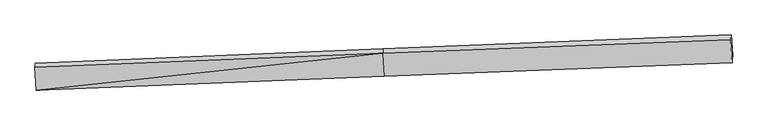
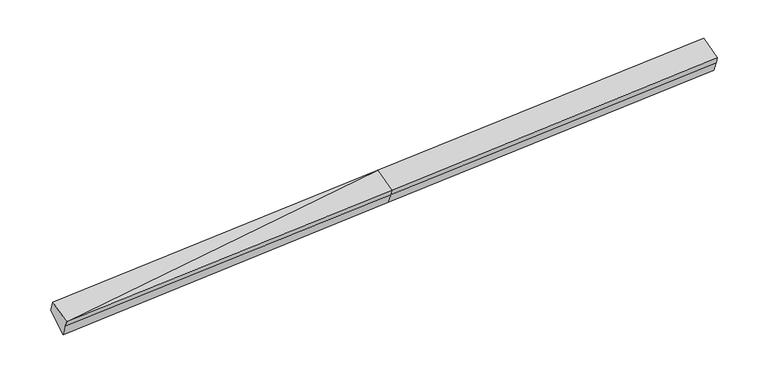
"""IFC4 building model written with IfcOpenShell, lengths in millimetres: proxy geometry."""

import ifcopenshell
import ifcopenshell.guid

model = None  # the IFC model being written
_history = None  # IfcOwnerHistory: only IFC2X3 demands one
_inside = {}  # id of a spatial element -> (the spatial element, [elements in it])
_under = {}  # id of a project, library or spatial element -> (it, [spatial elements below it])
_declared = {}  # id of a project -> (the project, [libraries it declares])
_typed = {}  # id of a type object -> (the type object, [elements of that type])
_made_of = {}  # id of a material, layer set ... -> (it, [elements and type objects made of it])


def new_model(schema):
    """Start an empty IFC model of exactly this schema.

    Asked for "IFC4X3", IfcOpenShell would pick the latest addendum, in which some entities
    have other attributes; the version numbers below select the first issue.
    IFC2X3 requires an IfcOwnerHistory on every rooted entity: one is made here for all.
    """
    global model, _history
    if schema == "IFC4X3":
        model = ifcopenshell.file(schema_version=(4, 3, 0, 0))
    else:
        model = ifcopenshell.file(schema=schema)
    _inside.clear()
    _under.clear()
    _declared.clear()
    _typed.clear()
    _made_of.clear()
    _history = None
    if model.schema == "IFC2X3":
        org = make("IfcOrganization", Name="unknown")
        user = make(
            "IfcPersonAndOrganization",
            ThePerson=make("IfcPerson", FamilyName="unknown"),
            TheOrganization=org,
        )
        app = make(
            "IfcApplication",
            ApplicationDeveloper=org,
            Version="unknown",
            ApplicationFullName="unknown",
            ApplicationIdentifier="unknown",
        )
        _history = make(
            "IfcOwnerHistory",
            OwningUser=user,
            OwningApplication=app,
            ChangeAction="ADDED",
            CreationDate=0,
        )
    return model


def make(cls, **values):
    """One entity of the class cls with the attributes given. An attribute that is None is left unset."""
    return model.create_entity(
        cls, **{name: value for name, value in values.items() if value is not None}
    )


def rooted(cls, **values):
    """An entity with a GlobalId (a new one), such as an element, a storey or a relation."""
    return make(cls, GlobalId=ifcopenshell.guid.new(), OwnerHistory=_history, **values)


def si_unit(unit_type, name, prefix=None):
    """IfcSIUnit, for example si_unit("LENGTHUNIT", "METRE", prefix="MILLI")."""
    return make("IfcSIUnit", UnitType=unit_type, Prefix=prefix, Name=name)


def assignment(units):
    """IfcUnitAssignment: the units of a project."""
    return None if units is None else make("IfcUnitAssignment", Units=units)


def point(xyz):
    """IfcCartesianPoint."""
    return None if xyz is None else make("IfcCartesianPoint", Coordinates=xyz)


def direction(xyz):
    """IfcDirection."""
    return None if xyz is None else make("IfcDirection", DirectionRatios=xyz)


def frame(location, z_axis=None, x_axis=None):
    """IfcAxis2Placement3D, a coordinate frame: its origin and axes. An axis left out is left unset."""
    return make(
        "IfcAxis2Placement3D",
        Location=point(location),
        Axis=direction(z_axis),
        RefDirection=direction(x_axis),
    )


def origin():
    """The frame at (0, 0, 0) with its axes left unset."""
    return frame((0.0, 0.0, 0.0))


def place(relative_to, where):
    """IfcLocalPlacement: puts the frame where relative to a parent placement (None: the world)."""
    return make(
        "IfcLocalPlacement", PlacementRelTo=relative_to, RelativePlacement=where
    )


def context(
    kind, dimensions, precision=None, world=None, true_north=None, identifier=None
):
    """IfcGeometricRepresentationContext, for example the 3D "Model" context."""
    return make(
        "IfcGeometricRepresentationContext",
        ContextIdentifier=identifier,
        ContextType=kind,
        CoordinateSpaceDimension=dimensions,
        Precision=precision,
        WorldCoordinateSystem=world,
        TrueNorth=true_north,
    )


def project(units=None, contexts=None):
    """IfcProject with its units and contexts."""
    return rooted(
        "IfcProject",
        Name="project",
        RepresentationContexts=contexts,
        UnitsInContext=assignment(units),
    )


def spatial(cls, under=None, at=None, **own):
    """A site, building, storey or space (cls), placed at a placement, below another one or the project."""
    s = rooted(cls, ObjectPlacement=at, **own)
    if under is not None:
        _under.setdefault(under.id(), (under, []))[1].append(s)
    return s


def shape(context_of_items, identifier, shape_type, items):
    """IfcShapeRepresentation: the items that make up one representation, for example the "Body"."""
    return make(
        "IfcShapeRepresentation",
        ContextOfItems=context_of_items,
        RepresentationIdentifier=identifier,
        RepresentationType=shape_type,
        Items=items,
    )


def source(mapping_origin, context_of_items, identifier, shape_type, items):
    """IfcRepresentationMap: a shape defined once, which mapped items show again and again."""
    return make(
        "IfcRepresentationMap",
        MappingOrigin=mapping_origin,
        MappedRepresentation=shape(context_of_items, identifier, shape_type, items),
    )


def transform(
    local_origin,
    x_axis=None,
    y_axis=None,
    z_axis=None,
    scale=None,
    scale2=None,
    scale3=None,
    uniform=True,
):
    """IfcCartesianTransformationOperator3D, or its non-uniform kind. x_axis, y_axis, z_axis: its Axis1, 2, 3."""
    if uniform:
        return make(
            "IfcCartesianTransformationOperator3D",
            Axis1=direction(x_axis),
            Axis2=direction(y_axis),
            LocalOrigin=point(local_origin),
            Scale=scale,
            Axis3=direction(z_axis),
        )
    return make(
        "IfcCartesianTransformationOperator3DnonUniform",
        Axis1=direction(x_axis),
        Axis2=direction(y_axis),
        LocalOrigin=point(local_origin),
        Scale=scale,
        Axis3=direction(z_axis),
        Scale2=scale2,
        Scale3=scale3,
    )


def mapped(mapping_source, mapping_target):
    """IfcMappedItem: shows the shape of a source again, moved by a transform."""
    return make(
        "IfcMappedItem", MappingSource=mapping_source, MappingTarget=mapping_target
    )


def made_of(thing, what):
    """Note that an element or type object is made of a material, layer set ...; save() writes the relation."""
    if what is not None:
        _made_of.setdefault(what.id(), (what, []))[1].append(thing)
    return thing


def element(
    cls,
    number,
    at=None,
    inside=None,
    cuts=None,
    type_object=None,
    material=None,
    context=None,
    identifier="Body",
    shape_type=None,
    held_by="IfcProductDefinitionShape",
    body=None,
    shapes=None,
    **own,
):
    """One element of the class cls, such as IfcWall. Its Tag is "e" and its number.

    at: its placement. inside: the storey or other place that contains it. cuts: it is an
    opening in that element (IfcRelVoidsElement). A single representation is given by context,
    identifier, shape_type and body (its items); several are given by shapes. held_by: the class
    of the entity that holds the representations. save() writes the other relations.
    """
    e = rooted(cls, Tag="e%d" % number, ObjectPlacement=at, **own)
    if body is not None:
        shapes = [shape(context, identifier, shape_type, body)]
    if shapes is not None:
        e.Representation = make(held_by, Representations=shapes)
    if inside is not None:
        _inside.setdefault(inside.id(), (inside, []))[1].append(e)
    if cuts is not None:
        rooted(
            "IfcRelVoidsElement", RelatingBuildingElement=cuts, RelatedOpeningElement=e
        )
    if type_object is not None:
        _typed.setdefault(type_object.id(), (type_object, []))[1].append(e)
    return made_of(e, material)


def aggregate(whole, parts):
    """IfcRelAggregates: a whole, such as a stair, and the parts it consists of."""
    return rooted("IfcRelAggregates", RelatingObject=whole, RelatedObjects=parts)


def save(model, path):
    """Write the relations noted so far, then the file.

    IfcRelAggregates (storeys below a building ...), IfcRelContainedInSpatialStructure (elements
    in a storey), IfcRelDefinesByType, IfcRelAssociatesMaterial and IfcRelDeclares: one each for
    every whole, place, type object, material and project.
    """
    for whole, parts in _under.values():
        aggregate(whole, parts)
    for where, things in _inside.values():
        rooted(
            "IfcRelContainedInSpatialStructure",
            RelatedElements=things,
            RelatingStructure=where,
        )
    for kind, things in _typed.values():
        rooted("IfcRelDefinesByType", RelatedObjects=things, RelatingType=kind)
    for what, things in _made_of.values():
        rooted("IfcRelAssociatesMaterial", RelatedObjects=things, RelatingMaterial=what)
    for by, libraries in _declared.values():
        rooted("IfcRelDeclares", RelatingContext=by, RelatedDefinitions=libraries)
    model.write(path)


def plane_surface(at):
    """IfcPlane: the flat surface through the origin of the frame at, square to its z axis."""
    return make("IfcPlane", Position=at)


def spline_surface(u_degree, v_degree, points, u_multiplicities, v_multiplicities, u_knots, v_knots, weights=None):
    """IfcBSplineSurfaceWithKnots; with weights, IfcRationalBSplineSurfaceWithKnots. points: one row for each step in u."""
    own = dict(
        UDegree=u_degree,
        VDegree=v_degree,
        ControlPointsList=[[point(p) for p in row] for row in points],
        SurfaceForm="UNSPECIFIED",
        UClosed=False,
        VClosed=False,
        SelfIntersect=False,
        UMultiplicities=u_multiplicities,
        VMultiplicities=v_multiplicities,
        UKnots=u_knots,
        VKnots=v_knots,
        KnotSpec="UNSPECIFIED",
    )
    if weights is None:
        return make("IfcBSplineSurfaceWithKnots", **own)
    return make("IfcRationalBSplineSurfaceWithKnots", WeightsData=weights, **own)


def advanced_brep(points, edges, surfaces, faces):
    """IfcAdvancedBrep: a solid bounded by faces that lie on surfaces and meet in shared edges.

    An edge is (start, end): straight between two places in points (the first is 0);
    or (start, end, curve); or (start, end, curve, False) where it runs against its curve.
    A face is (place in surfaces, loops), or (place, loops, False) where it looks against
    its surface's normal. A loop lists edges by number (the first is 1), with a minus sign
    where the edge is run from its end to its start. The first loop is the outer one.
    """
    corners = [point(p) for p in points]
    vertices = [make("IfcVertexPoint", VertexGeometry=c) for c in corners]
    made = []
    for start, end, *more in edges:
        made.append(
            make(
                "IfcEdgeCurve",
                EdgeStart=vertices[start],
                EdgeEnd=vertices[end],
                EdgeGeometry=more[0] if more else make("IfcPolyline", Points=[corners[start], corners[end]]),
                SameSense=more[1] if len(more) > 1 else True,
            )
        )
    hull = []
    for where, loops, *sense in faces:
        bounds = []
        for j, loop in enumerate(loops):
            ring = [make("IfcOrientedEdge", EdgeElement=made[abs(k) - 1], Orientation=k > 0) for k in loop]
            bounds.append(
                make(
                    "IfcFaceOuterBound" if j == 0 else "IfcFaceBound",
                    Bound=make("IfcEdgeLoop", EdgeList=ring),
                    Orientation=True,
                )
            )
        hull.append(make("IfcAdvancedFace", Bounds=bounds, FaceSurface=surfaces[where], SameSense=sense[0] if sense else True))
    return make("IfcAdvancedBrep", Outer=make("IfcClosedShell", CfsFaces=hull))


def generic_models_f14dc447(model_context):
    return source(origin(), model_context, "Body", "AdvancedBrep", [
        advanced_brep(
        [(-10593.5904749, -2366.7638795, 1575.2557796), (-10587.9175027, -2298.1689237, 1387.1190761), (-585.4553288, -1905.9247492, 1831.3022563), (-591.3434172, -1977.1207891, 2026.5730032), (-10629.8923673, -1718.7289338, 1823.4102426), (-627.8178056, -1315.5263001, 2266.691628), (-10619.5840029, -1594.0849606, 1481.5468217), (-618.686109, -1173.8194803, 1936.3379734), (-10577.7893474, -2175.7039563, 1051.2320564), (-576.8914535, -1755.4384761, 1506.0232082), (9393.84462, -783.0977171, 2380.7082069), (9384.4297448, -928.2286025, 2720.453112), (9420.3865939, -1580.4356518, 2483.7415577), (9426.4123842, -1507.5745835, 2283.9041055), (9435.6392755, -1364.7167129, 1950.3934417)],
        [
            (0, 1),
            (1, 2),
            (2, 3),
            (3, 0),
            (4, 0),
            (0, 5),
            (5, 4),
            (6, 4),
            (5, 7),
            (7, 6),
            (8, 6),
            (7, 9),
            (9, 8),
            (1, 8),
            (9, 2),
            (10, 11),
            (11, 12),
            (12, 13),
            (13, 14),
            (14, 10),
            (3, 5),
            (5, 11),
            (10, 7),
            (3, 12),
            (2, 13),
            (9, 14),
        ],
        [
            plane_surface(frame((-10590.7539888, -2332.4664016, 1481.1874278), z_axis=(0.05194187143801917, -0.9387366150003951, -0.340698708023844), x_axis=(0.0283178677879301, 0.34240655691230754, -0.9391250439357924))),
            plane_surface(frame((-10611.7414211, -2042.7464067, 1699.3330111), z_axis=(-0.026887179146036593, -0.35879457298053613, 0.933029224621225), x_axis=(0.052242524698825836, -0.9325955042851636, -0.3571223095806173))),
            spline_surface(1, 1, [[(-10619.5840029, -1594.0849606, 1481.5468217), (-618.686109, -1173.8194803, 1936.3379734)], [(-10629.8923673, -1718.7289338, 1823.4102426), (-627.8178056, -1315.5263001, 2266.691628)]], [2, 2], [2, 2], [0.0, 1.0], [0.0, 1.0]),
            plane_surface(frame((-10598.6866752, -1884.8944584, 1266.389439), z_axis=(0.011522153362135981, 0.5952640781677613, -0.8034475198947253), x_axis=(-0.05767121695436095, 0.8025589613462253, 0.5937786997677428))),
            spline_surface(1, 1, [[(-10587.9175027, -2298.1689237, 1387.1190761), (-585.4553288, -1905.9247492, 1831.3022563)], [(-10577.7893474, -2175.7039563, 1051.2320564), (-576.8914535, -1755.4384761, 1506.0232082)]], [2, 2], [2, 2], [0.0, 1.0], [0.0, 1.0]),
            plane_surface(frame((9412.1425237, -1232.8106535, 2363.8400848), z_axis=(0.998258298006722, 0.03895531039133461, 0.04430411101734892), x_axis=(-0.025475566660216487, -0.39270744042414957, 0.9193105360751904))),
            plane_surface(frame((-10605.2140481, -1963.8204326, 1482.8612251), z_axis=(-0.9982582980067218, -0.03895531039133416, -0.04430411101735153), x_axis=(-0.028317867787931175, -0.34240655691230704, 0.9391250439357927))),
            plane_surface(frame((-10593.5904749, -2366.7638795, 1575.2557796), z_axis=(-0.029033642266418358, -0.34243440104109774, 0.9390930351143971), x_axis=(0.05175392569330625, -0.9387439659330831, -0.3407070554003223))),
            spline_surface(1, 1, [[(-618.686109, -1173.8194803, 1936.3379734), (9393.84462, -783.0977171, 2380.7082069)], [(-627.8178056, -1315.5263001, 2266.691628), (9384.4297448, -928.2286025, 2720.453112)]], [2, 2], [2, 2], [0.0, 1.0], [0.0, 1.0]),
            plane_surface(frame((-609.5806114, -1646.3235446, 2146.6323156), z_axis=(-0.029313125699481173, -0.3424452255064797, 0.9390804056040905), x_axis=(0.05175392569330568, -0.9387439659330824, -0.3407070554003245))),
            plane_surface(frame((-588.399373, -1941.5227691, 1928.9376297), z_axis=(0.052749171956827164, -0.9387046605903515, -0.34066271449018687), x_axis=(0.028317867787930676, 0.34240655691230826, -0.9391250439357922))),
            spline_surface(1, 1, [[(-585.4553288, -1905.9247492, 1831.3022563), (9426.4123842, -1507.5745835, 2283.9041055)], [(-576.8914535, -1755.4384761, 1506.0232082), (9435.6392755, -1364.7167129, 1950.3934417)]], [2, 2], [2, 2], [0.0, 1.0], [0.0, 1.0]),
            plane_surface(frame((-597.7887813, -1464.6289782, 1721.1805908), z_axis=(0.012425827768238265, 0.5952995862212391, -0.8034077429606314), x_axis=(-0.05767121695436209, 0.8025589613462282, 0.5937786997677389))),
        ],
        [
            (0, [[1, 2, 3, 4]]),
            (1, [[5, 6, 7]]),
            (2, [[8, -7, 9, 10]]),
            (3, [[11, -10, 12, 13]]),
            (4, [[14, -13, 15, -2]]),
            (5, [[16, 17, 18, 19, 20]]),
            (6, [[-1, -5, -8, -11, -14]]),
            (7, [[21, -6, -4]]),
            (8, [[-9, 22, -16, 23]]),
            (9, [[-21, 24, -17, -22]]),
            (10, [[-3, 25, -18, -24]]),
            (11, [[-15, 26, -19, -25]]),
            (12, [[-12, -23, -20, -26]]),
        ],
    ),
    ])


if __name__ == "__main__":
    model = new_model("IFC4")
    model_context = context("Model", 3, world=origin())
    ifc_project = project(units=[si_unit("LENGTHUNIT", "METRE", prefix="MILLI")], contexts=[model_context])
    site = spatial("IfcSite", under=ifc_project)
    building = spatial("IfcBuilding", under=site)
    placement = place(None, origin())
    generic_models_shape = generic_models_f14dc447(model_context)
    element("IfcBuildingElementProxy", 1, Name="Generic Models", at=placement, inside=building, context=model_context, shape_type="MappedRepresentation", body=[
        mapped(generic_models_shape, transform((0.0, 0.0, 0.0), x_axis=(1.0, 0.0, 0.0), y_axis=(0.0, 1.0, 0.0), z_axis=(0.0, 0.0, 1.0))),
    ])
    save(model, "model.ifc")
